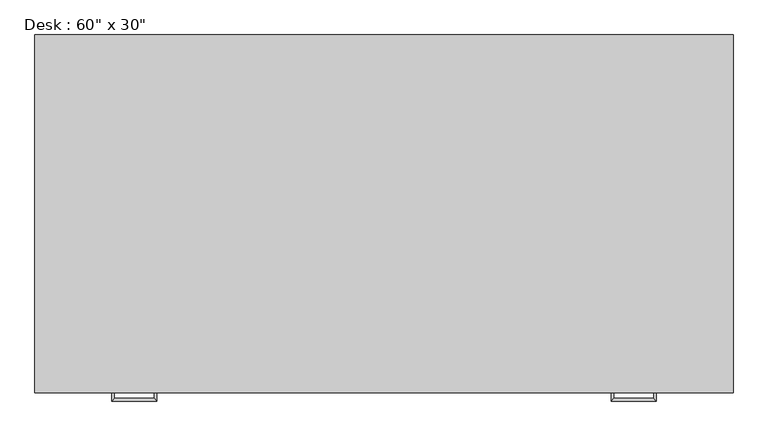
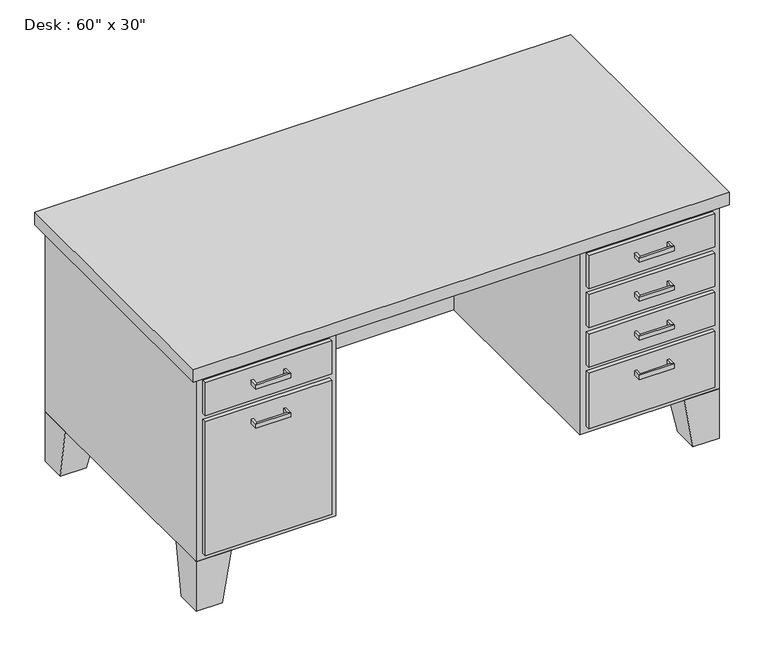
"""IFC4 building model written with IfcOpenShell, lengths in millimetres: furniture geometry."""

from ifc_helpers import new_model, si_unit, frame, origin, place, context, project, spatial, polyline, outline, extrude, faceted_brep, source, transform, mapped, element, save


def furniture_013ab306(model_context):
    return source(origin(), model_context, "Body", "SolidModel", [
        extrude(outline(polyline([(19.05, 0.0), (387.35, 0.0), (387.35, -12.7), (19.05, -12.7), (19.05, 0.0)])), frame((0.0, 0.0, 603.25), z_axis=(0.0, 0.0, 1.0), x_axis=(1.0, 0.0, 0.0)), (0.0, 0.0, 1.0), 101.6),
        extrude(outline(polyline([(19.05, 0.0), (387.35, 0.0), (387.35, -12.7), (19.05, -12.7), (19.05, 0.0)])), frame((0.0, 0.0, 171.45), z_axis=(0.0, 0.0, 1.0), x_axis=(1.0, 0.0, 0.0)), (0.0, 0.0, 1.0), 412.75),
        extrude(outline(polyline([(1136.65, 0.0), (1504.95, 0.0), (1504.95, -12.7), (1136.65, -12.7), (1136.65, 0.0)])), frame((0.0, 0.0, 603.25), z_axis=(0.0, 0.0, 1.0), x_axis=(1.0, 0.0, 0.0)), (0.0, 0.0, 1.0), 101.6),
        extrude(outline(polyline([(1136.65, 0.0), (1504.95, 0.0), (1504.95, -12.7), (1136.65, -12.7), (1136.65, 0.0)])), frame((0.0, 0.0, 171.45), z_axis=(0.0, 0.0, 1.0), x_axis=(1.0, 0.0, 0.0)), (0.0, 0.0, 1.0), 171.45),
        extrude(outline(polyline([(1136.65, 0.0), (1504.95, 0.0), (1504.95, -12.7), (1136.65, -12.7), (1136.65, 0.0)])), frame((0.0, 0.0, 482.6), z_axis=(0.0, 0.0, 1.0), x_axis=(1.0, 0.0, 0.0)), (0.0, 0.0, 1.0), 101.6),
        extrude(outline(polyline([(1136.65, 0.0), (1504.95, 0.0), (1504.95, -12.7), (1136.65, -12.7), (1136.65, 0.0)])), frame((0.0, 0.0, 361.95), z_axis=(0.0, 0.0, 1.0), x_axis=(1.0, 0.0, 0.0)), (0.0, 0.0, 1.0), 101.6),
        faceted_brep([(101.6, 0.0, 152.4), (101.6, 101.6, 152.4), (0.0, 101.6, 152.4), (0.0, 0.0, 152.4), (76.2, 0.0, 0.0), (0.0, 0.0, 0.0), (0.0, 76.2, 0.0), (76.2, 76.2, 0.0)], [[[0, 1, 2, 3]], [[4, 5, 6, 7]], [[4, 7, 1, 0]], [[7, 6, 2, 1]], [[6, 5, 3, 2]], [[5, 4, 0, 3]]]),
        faceted_brep([(101.6, 762.0, 152.4), (0.0, 762.0, 152.4), (0.0, 660.4, 152.4), (101.6, 660.4, 152.4), (76.2, 762.0, 0.0), (76.2, 685.8, 0.0), (0.0, 685.8, 0.0), (0.0, 762.0, 0.0)], [[[0, 1, 2, 3]], [[4, 5, 6, 7]], [[4, 7, 1, 0]], [[7, 6, 2, 1]], [[6, 5, 3, 2]], [[5, 4, 0, 3]]]),
        faceted_brep([(1422.4, 762.0, 152.4), (1422.4, 660.4, 152.4), (1524.0, 660.4, 152.4), (1524.0, 762.0, 152.4), (1447.8, 762.0, 0.0), (1524.0, 762.0, 0.0), (1524.0, 685.8, 0.0), (1447.8, 685.8, 0.0)], [[[0, 1, 2, 3]], [[4, 5, 6, 7]], [[4, 7, 1, 0]], [[7, 6, 2, 1]], [[6, 5, 3, 2]], [[5, 4, 0, 3]]]),
        faceted_brep([(1422.4, 0.0, 152.4), (1524.0, 0.0, 152.4), (1524.0, 101.6, 152.4), (1422.4, 101.6, 152.4), (1447.8, 0.0, 0.0), (1447.8, 76.2, 0.0), (1524.0, 76.2, 0.0), (1524.0, 0.0, 0.0)], [[[0, 1, 2, 3]], [[4, 5, 6, 7]], [[4, 7, 1, 0]], [[7, 6, 2, 1]], [[6, 5, 3, 2]], [[5, 4, 0, 3]]]),
        extrude(outline(polyline([(-19.05, -19.05), (-19.05, 781.05), (1543.05, 781.05), (1543.05, -19.05), (-19.05, -19.05)])), frame((0.0, 0.0, 723.9), z_axis=(0.0, 0.0, 1.0), x_axis=(1.0, 0.0, 0.0)), (0.0, 0.0, 1.0), 38.1),
        extrude(outline(polyline([(1117.6, 0.0), (1117.6, 635.0), (406.4, 635.0), (406.4, 0.0), (0.0, 0.0), (0.0, 762.0), (1524.0, 762.0), (1524.0, 0.0), (1117.6, 0.0)])), frame((0.0, 0.0, 152.4), z_axis=(0.0, 0.0, 1.0), x_axis=(1.0, 0.0, 0.0)), (0.0, 0.0, 1.0), 571.5),
        faceted_brep([(158.75, -12.7, 546.1), (158.75, -12.7, 533.4), (152.4, -12.7, 533.4), (152.4, -12.7, 546.1), (158.75, -31.75, 546.1), (158.75, -31.75, 533.4), (152.4, -38.1, 533.4), (152.4, -38.1, 546.1), (247.65, -31.75, 546.1), (247.65, -31.75, 533.4), (254.0, -38.1, 533.4), (254.0, -38.1, 546.1), (247.65, -12.7, 546.1), (254.0, -12.7, 546.1), (254.0, -12.7, 533.4), (247.65, -12.7, 533.4)], [[[0, 1, 2, 3]], [[1, 0, 4, 5]], [[2, 1, 5, 6]], [[3, 2, 6, 7]], [[0, 3, 7, 4]], [[5, 4, 8, 9]], [[6, 5, 9, 10]], [[7, 6, 10, 11]], [[4, 7, 11, 8]], [[12, 13, 14, 15]], [[9, 8, 12, 15]], [[10, 9, 15, 14]], [[11, 10, 14, 13]], [[8, 11, 13, 12]]]),
        faceted_brep([(158.75, -12.7, 666.75), (158.75, -12.7, 654.05), (152.4, -12.7, 654.05), (152.4, -12.7, 666.75), (158.75, -31.75, 666.75), (158.75, -31.75, 654.05), (152.4, -38.1, 654.05), (152.4, -38.1, 666.75), (247.65, -31.75, 666.75), (247.65, -31.75, 654.05), (254.0, -38.1, 654.05), (254.0, -38.1, 666.75), (247.65, -12.7, 666.75), (254.0, -12.7, 666.75), (254.0, -12.7, 654.05), (247.65, -12.7, 654.05)], [[[0, 1, 2, 3]], [[1, 0, 4, 5]], [[2, 1, 5, 6]], [[3, 2, 6, 7]], [[0, 3, 7, 4]], [[5, 4, 8, 9]], [[6, 5, 9, 10]], [[7, 6, 10, 11]], [[4, 7, 11, 8]], [[12, 13, 14, 15]], [[9, 8, 12, 15]], [[10, 9, 15, 14]], [[11, 10, 14, 13]], [[8, 11, 13, 12]]]),
        faceted_brep([(1365.25, -12.7, 304.8), (1371.6, -12.7, 304.8), (1371.6, -12.7, 292.1), (1365.25, -12.7, 292.1), (1365.25, -31.75, 304.8), (1371.6, -38.1, 304.8), (1371.6, -38.1, 292.1), (1365.25, -31.75, 292.1), (1276.35, -31.75, 304.8), (1270.0, -38.1, 304.8), (1270.0, -38.1, 292.1), (1276.35, -31.75, 292.1), (1276.35, -12.7, 304.8), (1276.35, -12.7, 292.1), (1270.0, -12.7, 292.1), (1270.0, -12.7, 304.8)], [[[0, 1, 2, 3]], [[1, 0, 4, 5]], [[2, 1, 5, 6]], [[3, 2, 6, 7]], [[0, 3, 7, 4]], [[5, 4, 8, 9]], [[6, 5, 9, 10]], [[7, 6, 10, 11]], [[4, 7, 11, 8]], [[12, 13, 14, 15]], [[9, 8, 12, 15]], [[10, 9, 15, 14]], [[11, 10, 14, 13]], [[8, 11, 13, 12]]]),
        faceted_brep([(1365.25, -12.7, 425.45), (1371.6, -12.7, 425.45), (1371.6, -12.7, 412.75), (1365.25, -12.7, 412.75), (1365.25, -31.75, 425.45), (1371.6, -38.1, 425.45), (1371.6, -38.1, 412.75), (1365.25, -31.75, 412.75), (1276.35, -31.75, 425.45), (1270.0, -38.1, 425.45), (1270.0, -38.1, 412.75), (1276.35, -31.75, 412.75), (1276.35, -12.7, 425.45), (1276.35, -12.7, 412.75), (1270.0, -12.7, 412.75), (1270.0, -12.7, 425.45)], [[[0, 1, 2, 3]], [[1, 0, 4, 5]], [[2, 1, 5, 6]], [[3, 2, 6, 7]], [[0, 3, 7, 4]], [[5, 4, 8, 9]], [[6, 5, 9, 10]], [[7, 6, 10, 11]], [[4, 7, 11, 8]], [[12, 13, 14, 15]], [[9, 8, 12, 15]], [[10, 9, 15, 14]], [[11, 10, 14, 13]], [[8, 11, 13, 12]]]),
        faceted_brep([(1365.25, -12.7, 546.1), (1371.6, -12.7, 546.1), (1371.6, -12.7, 533.4), (1365.25, -12.7, 533.4), (1365.25, -31.75, 546.1), (1371.6, -38.1, 546.1), (1371.6, -38.1, 533.4), (1365.25, -31.75, 533.4), (1276.35, -31.75, 546.1), (1270.0, -38.1, 546.1), (1270.0, -38.1, 533.4), (1276.35, -31.75, 533.4), (1276.35, -12.7, 546.1), (1276.35, -12.7, 533.4), (1270.0, -12.7, 533.4), (1270.0, -12.7, 546.1)], [[[0, 1, 2, 3]], [[1, 0, 4, 5]], [[2, 1, 5, 6]], [[3, 2, 6, 7]], [[0, 3, 7, 4]], [[5, 4, 8, 9]], [[6, 5, 9, 10]], [[7, 6, 10, 11]], [[4, 7, 11, 8]], [[12, 13, 14, 15]], [[9, 8, 12, 15]], [[10, 9, 15, 14]], [[11, 10, 14, 13]], [[8, 11, 13, 12]]]),
        faceted_brep([(1365.25, -12.7, 666.75), (1371.6, -12.7, 666.75), (1371.6, -12.7, 654.05), (1365.25, -12.7, 654.05), (1365.25, -31.75, 666.75), (1371.6, -38.1, 666.75), (1371.6, -38.1, 654.05), (1365.25, -31.75, 654.05), (1276.35, -31.75, 666.75), (1270.0, -38.1, 666.75), (1270.0, -38.1, 654.05), (1276.35, -31.75, 654.05), (1276.35, -12.7, 666.75), (1276.35, -12.7, 654.05), (1270.0, -12.7, 654.05), (1270.0, -12.7, 666.75)], [[[0, 1, 2, 3]], [[1, 0, 4, 5]], [[2, 1, 5, 6]], [[3, 2, 6, 7]], [[0, 3, 7, 4]], [[5, 4, 8, 9]], [[6, 5, 9, 10]], [[7, 6, 10, 11]], [[4, 7, 11, 8]], [[12, 13, 14, 15]], [[9, 8, 12, 15]], [[10, 9, 15, 14]], [[11, 10, 14, 13]], [[8, 11, 13, 12]]]),
    ])


if __name__ == "__main__":
    model = new_model("IFC4")
    model_context = context("Model", 3, world=origin())
    ifc_project = project(units=[si_unit("LENGTHUNIT", "METRE", prefix="MILLI")], contexts=[model_context])
    site = spatial("IfcSite", under=ifc_project)
    building = spatial("IfcBuilding", under=site)
    placement = place(None, origin())
    furniture_shape = furniture_013ab306(model_context)
    element("IfcFurniture", 1, ObjectType="Desk : 60\" x 30\"", at=placement, inside=building, context=model_context, shape_type="MappedRepresentation", body=[
        mapped(furniture_shape, transform((0.0, 0.0, 0.0), x_axis=(1.0, 0.0, 0.0), y_axis=(0.0, 1.0, 0.0), z_axis=(0.0, 0.0, 1.0))),
    ])
    save(model, "model.ifc")
